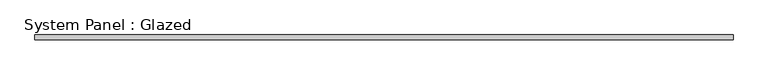
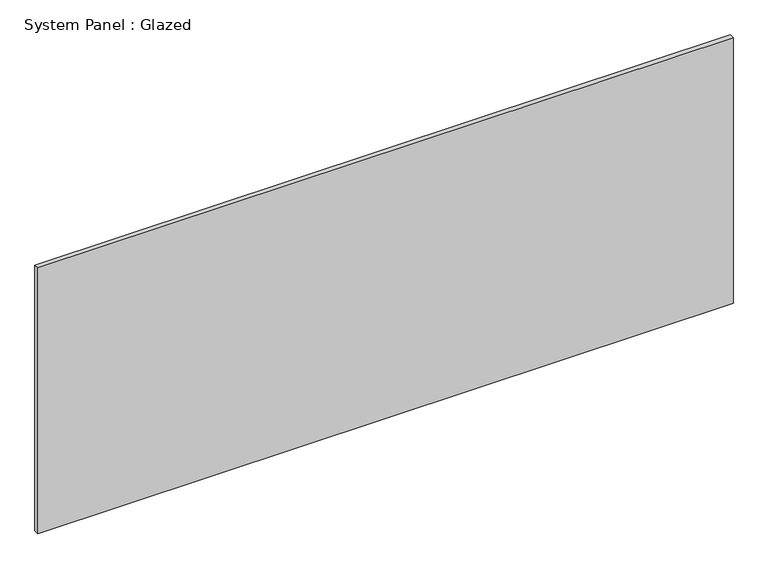
"""IFC4 building model written with IfcOpenShell, lengths in millimetres: plate geometry, System Panel : Glazed."""

from ifc_helpers import new_model, si_unit, origin, origin_with_axes, place, context, project, spatial, polyline, outline, extrude, source, transform, mapped, element, save


def system_panel_glazed_ce39871e(model_context):
    return source(origin(), model_context, "Body", "SweptSolid", [
        extrude(outline(polyline([(1808.0114903, 19.05), (-1808.0114903, 19.05), (-1808.0114903, 44.45), (1808.0114903, 44.45), (1808.0114903, 19.05)])), origin_with_axes(), (0.0, 0.0, 1.0), 1460.5),
    ])


if __name__ == "__main__":
    model = new_model("IFC4")
    model_context = context("Model", 3, world=origin())
    ifc_project = project(units=[si_unit("LENGTHUNIT", "METRE", prefix="MILLI")], contexts=[model_context])
    site = spatial("IfcSite", under=ifc_project)
    building = spatial("IfcBuilding", under=site)
    placement = place(None, origin())
    system_panel_glazed_shape = system_panel_glazed_ce39871e(model_context)
    element("IfcPlate", 1, ObjectType="System Panel : Glazed", at=placement, inside=building, context=model_context, shape_type="MappedRepresentation", body=[
        mapped(system_panel_glazed_shape, transform((0.0, 0.0, 0.0), x_axis=(1.0, 0.0, 0.0), y_axis=(0.0, 1.0, 0.0), z_axis=(0.0, 0.0, 1.0))),
    ])
    save(model, "model.ifc")
